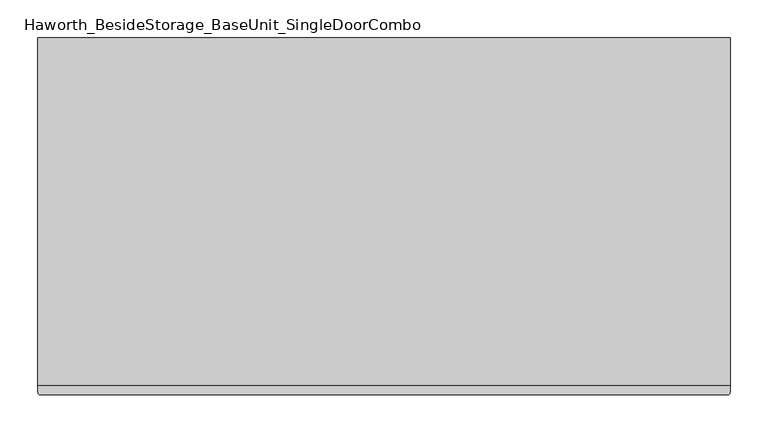
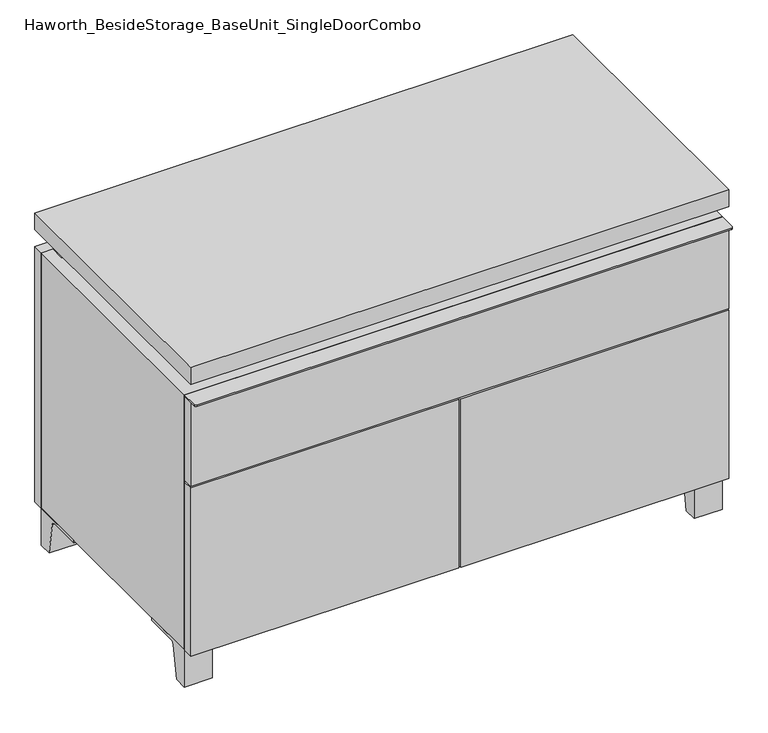
"""IFC4 building model written with IfcOpenShell, lengths in millimetres: furniture geometry, Haworth_BesideStorage_BaseUnit_SingleDoorCombo."""

from ifc_helpers import new_model, si_unit, point, frame, frame_2d, origin, place, context, project, spatial, polyline, circle_curve, trimmed, segment, composite_curve, outline, extrude, faceted_brep, source, transform, mapped, element, save


def haworth_besidestorage_baseunit_singledoorcombo_2d7e7de7(model_context):
    return source(origin(), model_context, "Body", "SolidModel", [
        extrude(outline(composite_curve([segment(polyline([(-123.2958469, 0.0), (-146.05, 0.0), (-146.05, 66.675), (-50.8, 66.675), (-50.8, 61.8963321), (-107.6005345, 61.8963321)]), True, "CONTINUOUS"), segment(trimmed(circle_curve(frame_2d((-107.6005345, 55.5463321)), 6.35), [point((-107.6005345, 61.8963321))], [point((-113.8641359, 56.5902656))], True, "CARTESIAN"), True, "CONTINUOUS"), segment(polyline([(-113.8641359, 56.5902656), (-123.2958469, 0.0)]), True, "CONTINUOUS")], self_intersect=False)), frame((408.0013906, 0.0, 0.0), z_axis=(1.0, 0.0, 0.0), x_axis=(0.0, 1.0, 0.0)), (0.0, 0.0, 1.0), 47.625),
        extrude(outline(composite_curve([segment(polyline([(250.2958469, 0.0), (240.8641359, 56.5902656)]), True, "CONTINUOUS"), segment(trimmed(circle_curve(frame_2d((234.6005345, 55.5463321)), 6.35), [point((240.8641359, 56.5902656))], [point((234.6005345, 61.8963321))], True, "CARTESIAN"), True, "CONTINUOUS"), segment(polyline([(234.6005345, 61.8963321), (177.8, 61.8963321), (177.8, 66.675), (273.05, 66.675), (273.05, 0.0), (250.2958469, 0.0)]), True, "CONTINUOUS")], self_intersect=False)), frame((408.0013906, 0.0, 0.0), z_axis=(1.0, 0.0, 0.0), x_axis=(0.0, 1.0, 0.0)), (0.0, 0.0, 1.0), 47.625),
        extrude(outline(composite_curve([segment(polyline([(-123.2958469, 0.0), (-146.05, 0.0), (-146.05, 66.675), (-50.8, 66.675), (-50.8, 61.8963321), (-107.6005345, 61.8963321)]), True, "CONTINUOUS"), segment(trimmed(circle_curve(frame_2d((-107.6005345, 55.5463321)), 6.35), [point((-107.6005345, 61.8963321))], [point((-113.8641359, 56.5902656))], True, "CARTESIAN"), True, "CONTINUOUS"), segment(polyline([(-113.8641359, 56.5902656), (-123.2958469, 0.0)]), True, "CONTINUOUS")], self_intersect=False)), frame((-455.5986094, 0.0, 0.0), z_axis=(1.0, 0.0, 0.0), x_axis=(0.0, 1.0, 0.0)), (0.0, 0.0, 1.0), 47.625),
        extrude(outline(composite_curve([segment(polyline([(250.2958469, 0.0), (240.8641359, 56.5902656)]), True, "CONTINUOUS"), segment(trimmed(circle_curve(frame_2d((234.6005345, 55.5463321)), 6.35), [point((240.8641359, 56.5902656))], [point((234.6005345, 61.8963321))], True, "CARTESIAN"), True, "CONTINUOUS"), segment(polyline([(234.6005345, 61.8963321), (177.8, 61.8963321), (177.8, 66.675), (273.05, 66.675), (273.05, 0.0), (250.2958469, 0.0)]), True, "CONTINUOUS")], self_intersect=False)), frame((-455.5986094, 0.0, 0.0), z_axis=(1.0, 0.0, 0.0), x_axis=(0.0, 1.0, 0.0)), (0.0, 0.0, 1.0), 47.625),
        faceted_brep([(-455.5986094, -146.05, 66.675), (455.6125, -146.05, 66.675), (455.6125, -146.05, 523.875), (-455.5986094, -146.05, 523.875), (-436.5486094, -146.05, 85.725), (-436.5486094, -146.05, 504.825), (436.5694453, -146.05, 504.825), (436.5486094, -146.05, 85.725), (-455.5986094, 273.05, 66.675), (-455.5986094, 273.05, 523.875), (-436.5486094, 273.05, 523.875), (-436.5486094, 273.05, 85.725), (436.5486094, 273.05, 85.725), (436.5486094, 273.05, 523.875), (455.6125, 273.05, 523.875), (455.6125, 273.05, 66.675), (436.5486094, 247.65, 523.875), (-436.5416641, 247.65, 523.875), (-436.5486094, 247.65, 504.825), (436.5486094, 247.65, 504.825)], [[[0, 1, 2, 3], [4, 5, 6, 7]], [[8, 9, 10, 11, 12, 13, 14, 15]], [[1, 0, 8, 15]], [[2, 1, 15, 14]], [[3, 2, 14, 13, 16, 17, 10, 9]], [[0, 3, 9, 8]], [[11, 10, 17, 18, 5, 4]], [[13, 12, 7, 6, 19, 16]], [[4, 7, 12, 11]], [[6, 5, 18, 19]], [[17, 16, 19, 18]]]),
        extrude(outline(polyline([(455.6263906, -165.1), (-455.5986094, -165.1), (-455.5986094, 292.1), (455.6263906, 292.1), (455.6263906, -165.1)])), frame((0.0, 0.0, 554.0375), z_axis=(0.0, 0.0, 1.0), x_axis=(1.0, 0.0, 0.0)), (0.0, 0.0, 1.0), 30.1625),
        faceted_brep([(7.9513906, -69.85, 554.0375), (7.9513906, -69.85, 523.875), (7.9513906, 53.975, 523.875), (7.9513906, 53.975, 554.0375), (7.9513906, 196.85, 523.875), (7.9513906, 196.85, 554.0375), (7.9513906, 73.025, 554.0375), (7.9513906, 73.025, 523.875), (-7.9236094, 196.85, 554.0375), (-7.9236094, 196.85, 523.875), (-7.9236094, 73.025, 523.875), (-7.9236094, 73.025, 554.0375), (-7.9236094, -69.85, 523.875), (-7.9236094, -69.85, 554.0375), (-7.9236094, 53.975, 554.0375), (-7.9236094, 53.975, 523.875), (-414.2958281, 73.025, 554.0375), (-414.3166641, 247.65, 554.0375), (-430.1916641, 247.65, 554.0375), (-430.1916641, -120.65, 554.0375), (-414.3166641, -120.65, 554.0375), (-414.3166641, 53.975, 554.0375), (414.3236094, 53.975, 554.0375), (414.3236094, -120.65, 554.0375), (430.1986094, -120.65, 554.0375), (430.1986094, 247.65, 554.0375), (414.3236094, 247.65, 554.0375), (414.3236094, 73.025, 554.0375), (-414.2958281, 53.975, 523.875), (-414.3166641, -120.65, 523.875), (-430.1916641, -120.65, 523.875), (-430.1916641, 247.65, 523.875), (-414.3166641, 247.65, 523.875), (-414.3166641, 73.025, 523.875), (414.3236094, 73.025, 523.875), (414.3236094, 247.65, 523.875), (430.1986094, 247.65, 523.875), (430.1986094, -120.65, 523.875), (414.3236094, -120.65, 523.875), (414.3236094, 53.975, 523.875)], [[[0, 1, 2, 3]], [[4, 5, 6, 7]], [[8, 9, 10, 11]], [[12, 13, 14, 15]], [[5, 8, 11, 16, 17, 18, 19, 20, 21, 14, 13, 0, 3, 22, 23, 24, 25, 26, 27, 6]], [[1, 12, 15, 28, 29, 30, 31, 32, 33, 10, 9, 4, 7, 34, 35, 36, 37, 38, 39, 2]], [[5, 4, 9, 8]], [[1, 0, 13, 12]], [[6, 27, 34, 7]], [[22, 3, 2, 39]], [[20, 29, 28, 21]], [[32, 17, 16, 33]], [[18, 31, 30, 19]], [[29, 20, 19, 30]], [[17, 32, 31, 18]], [[26, 35, 34, 27]], [[38, 23, 22, 39]], [[25, 24, 37, 36]], [[23, 38, 37, 24]], [[35, 26, 25, 36]], [[16, 11, 10, 33]], [[14, 21, 28, 15]]]),
        extrude(outline(polyline([(455.6263906, 273.05), (-455.5986094, 273.05), (-455.5986094, 292.1), (455.6263906, 292.1), (455.6263906, 273.05)])), frame((0.0, 0.0, 66.675), z_axis=(0.0, 0.0, 1.0), x_axis=(1.0, 0.0, 0.0)), (0.0, 0.0, 1.0), 457.2),
        extrude(outline(polyline([(-436.5416641, 203.2), (-436.5416641, 209.55), (436.5694453, 209.55), (436.5694453, 203.2), (-436.5416641, 203.2)])), frame((0.0, 0.0, 85.725), z_axis=(0.0, 0.0, 1.0), x_axis=(1.0, 0.0, 0.0)), (0.0, 0.0, 1.0), 419.1),
        extrude(outline(polyline([(1.6013906, -165.1), (1.6013906, -146.05), (455.6263906, -146.05), (455.6263906, -165.1), (1.6013906, -165.1)])), frame((0.0, 0.0, 66.675), z_axis=(0.0, 0.0, 1.0), x_axis=(1.0, 0.0, 0.0)), (0.0, 0.0, 1.0), 301.625),
        extrude(outline(polyline([(-1.5736094, -165.1), (-455.5986094, -165.1), (-455.5986094, -146.05), (-1.5736094, -146.05), (-1.5736094, -165.1)])), frame((0.0, 0.0, 66.675), z_axis=(0.0, 0.0, 1.0), x_axis=(1.0, 0.0, 0.0)), (0.0, 0.0, 1.0), 301.625),
        extrude(outline(composite_curve([segment(polyline([(455.6263906, -146.05), (455.6263906, -174.625)]), True, "CONTINUOUS"), segment(trimmed(circle_curve(frame_2d((452.4513906, -174.625)), 3.175), [point((455.6263906, -174.625))], [point((452.4513906, -177.8))], False, "CARTESIAN"), True, "CONTINUOUS"), segment(polyline([(452.4513906, -177.8), (-452.4236094, -177.8)]), True, "CONTINUOUS"), segment(trimmed(circle_curve(frame_2d((-452.4236094, -174.625)), 3.175), [point((-452.4236094, -177.8))], [point((-455.5986094, -174.625))], False, "CARTESIAN"), True, "CONTINUOUS"), segment(polyline([(-455.5986094, -174.625), (-455.5986094, -146.05), (455.6263906, -146.05)]), True, "CONTINUOUS")], self_intersect=False)), frame((0.0, 0.0, 521.49375), z_axis=(0.0, 0.0, 1.0), x_axis=(1.0, 0.0, 0.0)), (0.0, 0.0, 1.0), 2.38125),
        extrude(outline(polyline([(455.6263906, -146.05), (455.6263906, -165.1), (-455.5986094, -165.1), (-455.5986094, -146.05), (455.6263906, -146.05)])), frame((0.0, 0.0, 371.475), z_axis=(0.0, 0.0, 1.0), x_axis=(1.0, 0.0, 0.0)), (0.0, 0.0, 1.0), 150.01875),
    ])


if __name__ == "__main__":
    model = new_model("IFC4")
    model_context = context("Model", 3, world=origin())
    ifc_project = project(units=[si_unit("LENGTHUNIT", "METRE", prefix="MILLI")], contexts=[model_context])
    site = spatial("IfcSite", under=ifc_project)
    building = spatial("IfcBuilding", under=site)
    placement = place(None, origin())
    haworth_besidestorage_baseunit_singledoorcombo_shape = haworth_besidestorage_baseunit_singledoorcombo_2d7e7de7(model_context)
    element("IfcFurniture", 1, ObjectType="Haworth_BesideStorage_BaseUnit_SingleDoorCombo", at=placement, inside=building, context=model_context, shape_type="MappedRepresentation", body=[
        mapped(haworth_besidestorage_baseunit_singledoorcombo_shape, transform((0.0, 0.0, 0.0), x_axis=(1.0, 0.0, 0.0), y_axis=(0.0, 1.0, 0.0), z_axis=(0.0, 0.0, 1.0))),
    ])
    save(model, "model.ifc")
